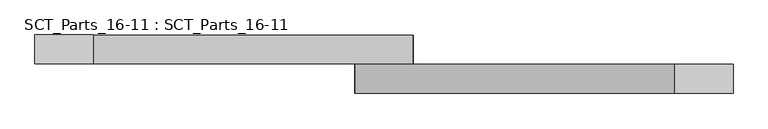
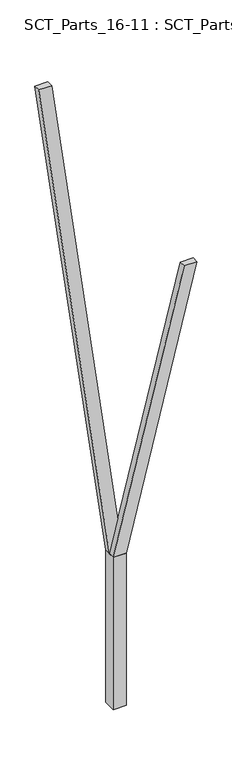
"""IFC4 building model written with IfcOpenShell, lengths in millimetres: proxy geometry, SCT_Parts_16-11 : SCT_Parts_16-11."""

import ifcopenshell
import ifcopenshell.guid

model = None  # the IFC model being written
_history = None  # IfcOwnerHistory: only IFC2X3 demands one
_inside = {}  # id of a spatial element -> (the spatial element, [elements in it])
_under = {}  # id of a project, library or spatial element -> (it, [spatial elements below it])
_declared = {}  # id of a project -> (the project, [libraries it declares])
_typed = {}  # id of a type object -> (the type object, [elements of that type])
_made_of = {}  # id of a material, layer set ... -> (it, [elements and type objects made of it])


def new_model(schema):
    """Start an empty IFC model of exactly this schema.

    Asked for "IFC4X3", IfcOpenShell would pick the latest addendum, in which some entities
    have other attributes; the version numbers below select the first issue.
    IFC2X3 requires an IfcOwnerHistory on every rooted entity: one is made here for all.
    """
    global model, _history
    if schema == "IFC4X3":
        model = ifcopenshell.file(schema_version=(4, 3, 0, 0))
    else:
        model = ifcopenshell.file(schema=schema)
    _inside.clear()
    _under.clear()
    _declared.clear()
    _typed.clear()
    _made_of.clear()
    _history = None
    if model.schema == "IFC2X3":
        org = make("IfcOrganization", Name="unknown")
        user = make(
            "IfcPersonAndOrganization",
            ThePerson=make("IfcPerson", FamilyName="unknown"),
            TheOrganization=org,
        )
        app = make(
            "IfcApplication",
            ApplicationDeveloper=org,
            Version="unknown",
            ApplicationFullName="unknown",
            ApplicationIdentifier="unknown",
        )
        _history = make(
            "IfcOwnerHistory",
            OwningUser=user,
            OwningApplication=app,
            ChangeAction="ADDED",
            CreationDate=0,
        )
    return model


def make(cls, **values):
    """One entity of the class cls with the attributes given. An attribute that is None is left unset."""
    return model.create_entity(
        cls, **{name: value for name, value in values.items() if value is not None}
    )


def rooted(cls, **values):
    """An entity with a GlobalId (a new one), such as an element, a storey or a relation."""
    return make(cls, GlobalId=ifcopenshell.guid.new(), OwnerHistory=_history, **values)


def si_unit(unit_type, name, prefix=None):
    """IfcSIUnit, for example si_unit("LENGTHUNIT", "METRE", prefix="MILLI")."""
    return make("IfcSIUnit", UnitType=unit_type, Prefix=prefix, Name=name)


def assignment(units):
    """IfcUnitAssignment: the units of a project."""
    return None if units is None else make("IfcUnitAssignment", Units=units)


def point(xyz):
    """IfcCartesianPoint."""
    return None if xyz is None else make("IfcCartesianPoint", Coordinates=xyz)


def direction(xyz):
    """IfcDirection."""
    return None if xyz is None else make("IfcDirection", DirectionRatios=xyz)


def frame(location, z_axis=None, x_axis=None):
    """IfcAxis2Placement3D, a coordinate frame: its origin and axes. An axis left out is left unset."""
    return make(
        "IfcAxis2Placement3D",
        Location=point(location),
        Axis=direction(z_axis),
        RefDirection=direction(x_axis),
    )


def origin():
    """The frame at (0, 0, 0) with its axes left unset."""
    return frame((0.0, 0.0, 0.0))


def origin_with_axes():
    """The frame at (0, 0, 0) with the z axis (0, 0, 1) and the x axis (1, 0, 0) written out."""
    return frame((0.0, 0.0, 0.0), z_axis=(0.0, 0.0, 1.0), x_axis=(1.0, 0.0, 0.0))


def place(relative_to, where):
    """IfcLocalPlacement: puts the frame where relative to a parent placement (None: the world)."""
    return make(
        "IfcLocalPlacement", PlacementRelTo=relative_to, RelativePlacement=where
    )


def context(
    kind, dimensions, precision=None, world=None, true_north=None, identifier=None
):
    """IfcGeometricRepresentationContext, for example the 3D "Model" context."""
    return make(
        "IfcGeometricRepresentationContext",
        ContextIdentifier=identifier,
        ContextType=kind,
        CoordinateSpaceDimension=dimensions,
        Precision=precision,
        WorldCoordinateSystem=world,
        TrueNorth=true_north,
    )


def project(units=None, contexts=None):
    """IfcProject with its units and contexts."""
    return rooted(
        "IfcProject",
        Name="project",
        RepresentationContexts=contexts,
        UnitsInContext=assignment(units),
    )


def spatial(cls, under=None, at=None, **own):
    """A site, building, storey or space (cls), placed at a placement, below another one or the project."""
    s = rooted(cls, ObjectPlacement=at, **own)
    if under is not None:
        _under.setdefault(under.id(), (under, []))[1].append(s)
    return s


def polyline(points):
    """IfcPolyline through the points."""
    return make("IfcPolyline", Points=[point(p) for p in points])


def outline(outer, holes=None, kind="AREA"):
    """IfcArbitraryClosedProfileDef: a profile drawn as a closed curve; with holes, ...WithVoids."""
    if holes is None:
        return make("IfcArbitraryClosedProfileDef", ProfileType=kind, OuterCurve=outer)
    return make(
        "IfcArbitraryProfileDefWithVoids",
        ProfileType=kind,
        OuterCurve=outer,
        InnerCurves=holes,
    )


def extrude(swept, where, along, depth):
    """IfcExtrudedAreaSolid: the profile swept, set in the frame where, extruded along a direction by depth."""
    return make(
        "IfcExtrudedAreaSolid",
        SweptArea=swept,
        Position=where,
        ExtrudedDirection=direction(along),
        Depth=depth,
    )


def shape(context_of_items, identifier, shape_type, items):
    """IfcShapeRepresentation: the items that make up one representation, for example the "Body"."""
    return make(
        "IfcShapeRepresentation",
        ContextOfItems=context_of_items,
        RepresentationIdentifier=identifier,
        RepresentationType=shape_type,
        Items=items,
    )


def source(mapping_origin, context_of_items, identifier, shape_type, items):
    """IfcRepresentationMap: a shape defined once, which mapped items show again and again."""
    return make(
        "IfcRepresentationMap",
        MappingOrigin=mapping_origin,
        MappedRepresentation=shape(context_of_items, identifier, shape_type, items),
    )


def transform(
    local_origin,
    x_axis=None,
    y_axis=None,
    z_axis=None,
    scale=None,
    scale2=None,
    scale3=None,
    uniform=True,
):
    """IfcCartesianTransformationOperator3D, or its non-uniform kind. x_axis, y_axis, z_axis: its Axis1, 2, 3."""
    if uniform:
        return make(
            "IfcCartesianTransformationOperator3D",
            Axis1=direction(x_axis),
            Axis2=direction(y_axis),
            LocalOrigin=point(local_origin),
            Scale=scale,
            Axis3=direction(z_axis),
        )
    return make(
        "IfcCartesianTransformationOperator3DnonUniform",
        Axis1=direction(x_axis),
        Axis2=direction(y_axis),
        LocalOrigin=point(local_origin),
        Scale=scale,
        Axis3=direction(z_axis),
        Scale2=scale2,
        Scale3=scale3,
    )


def mapped(mapping_source, mapping_target):
    """IfcMappedItem: shows the shape of a source again, moved by a transform."""
    return make(
        "IfcMappedItem", MappingSource=mapping_source, MappingTarget=mapping_target
    )


def made_of(thing, what):
    """Note that an element or type object is made of a material, layer set ...; save() writes the relation."""
    if what is not None:
        _made_of.setdefault(what.id(), (what, []))[1].append(thing)
    return thing


def element(
    cls,
    number,
    at=None,
    inside=None,
    cuts=None,
    type_object=None,
    material=None,
    context=None,
    identifier="Body",
    shape_type=None,
    held_by="IfcProductDefinitionShape",
    body=None,
    shapes=None,
    **own,
):
    """One element of the class cls, such as IfcWall. Its Tag is "e" and its number.

    at: its placement. inside: the storey or other place that contains it. cuts: it is an
    opening in that element (IfcRelVoidsElement). A single representation is given by context,
    identifier, shape_type and body (its items); several are given by shapes. held_by: the class
    of the entity that holds the representations. save() writes the other relations.
    """
    e = rooted(cls, Tag="e%d" % number, ObjectPlacement=at, **own)
    if body is not None:
        shapes = [shape(context, identifier, shape_type, body)]
    if shapes is not None:
        e.Representation = make(held_by, Representations=shapes)
    if inside is not None:
        _inside.setdefault(inside.id(), (inside, []))[1].append(e)
    if cuts is not None:
        rooted(
            "IfcRelVoidsElement", RelatingBuildingElement=cuts, RelatedOpeningElement=e
        )
    if type_object is not None:
        _typed.setdefault(type_object.id(), (type_object, []))[1].append(e)
    return made_of(e, material)


def aggregate(whole, parts):
    """IfcRelAggregates: a whole, such as a stair, and the parts it consists of."""
    return rooted("IfcRelAggregates", RelatingObject=whole, RelatedObjects=parts)


def save(model, path):
    """Write the relations noted so far, then the file.

    IfcRelAggregates (storeys below a building ...), IfcRelContainedInSpatialStructure (elements
    in a storey), IfcRelDefinesByType, IfcRelAssociatesMaterial and IfcRelDeclares: one each for
    every whole, place, type object, material and project.
    """
    for whole, parts in _under.values():
        aggregate(whole, parts)
    for where, things in _inside.values():
        rooted(
            "IfcRelContainedInSpatialStructure",
            RelatedElements=things,
            RelatingStructure=where,
        )
    for kind, things in _typed.values():
        rooted("IfcRelDefinesByType", RelatedObjects=things, RelatingType=kind)
    for what, things in _made_of.values():
        rooted("IfcRelAssociatesMaterial", RelatedObjects=things, RelatingMaterial=what)
    for by, libraries in _declared.values():
        rooted("IfcRelDeclares", RelatingContext=by, RelatedDefinitions=libraries)
    model.write(path)


def sct_parts_16_11_sct_parts_16_11_62e30eb5(model_context):
    return source(origin(), model_context, "Body", "SweptSolid", [
        extrude(outline(polyline([(2500.0, 200.0), (6900.0, 1300.0), (6900.0, 1100.0), (2500.0, 0.0), (2500.0, 200.0)])), frame((0.0, -200.0, 0.0), z_axis=(0.0, 1.0, 0.0), x_axis=(0.0, 0.0, 1.0)), (0.0, 0.0, 1.0), 100.0),
        extrude(outline(polyline([(2500.0, 0.0), (2500.0, 200.0), (10500.0, -900.0), (10500.0, -1100.0), (2500.0, 0.0)])), frame((0.0, -100.0, 0.0), z_axis=(0.0, 1.0, 0.0), x_axis=(0.0, 0.0, 1.0)), (0.0, 0.0, 1.0), 100.0),
        extrude(outline(polyline([(200.0, -200.0), (0.0, -200.0), (0.0, 0.0), (200.0, 0.0), (200.0, -200.0)])), origin_with_axes(), (0.0, 0.0, 1.0), 2500.0),
    ])


if __name__ == "__main__":
    model = new_model("IFC4")
    model_context = context("Model", 3, world=origin())
    ifc_project = project(units=[si_unit("LENGTHUNIT", "METRE", prefix="MILLI")], contexts=[model_context])
    site = spatial("IfcSite", under=ifc_project)
    building = spatial("IfcBuilding", under=site)
    placement = place(None, origin())
    sct_parts_16_11_sct_parts_16_11_shape = sct_parts_16_11_sct_parts_16_11_62e30eb5(model_context)
    element("IfcBuildingElementProxy", 1, Name="SCT_Parts_16-11 : SCT_Parts_16-11", ObjectType="SCT_Parts_16-11 : SCT_Parts_16-11", at=placement, inside=building, context=model_context, shape_type="MappedRepresentation", body=[
        mapped(sct_parts_16_11_sct_parts_16_11_shape, transform((0.0, 0.0, 0.0), x_axis=(1.0, 0.0, 0.0), y_axis=(0.0, 1.0, 0.0), z_axis=(0.0, 0.0, 1.0))),
    ])
    save(model, "model.ifc")
